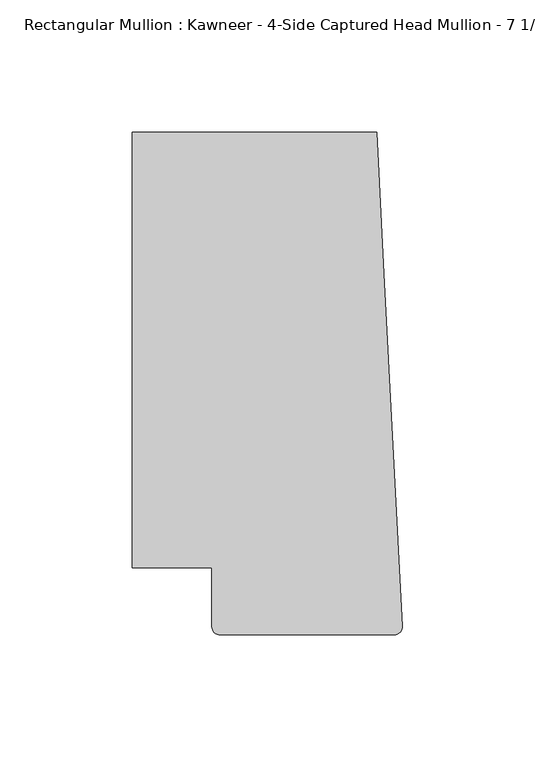
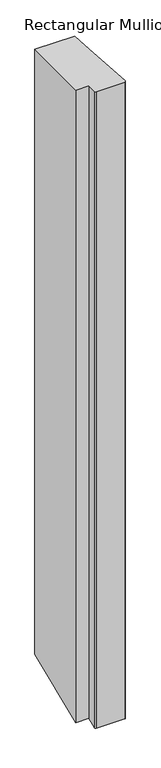
"""IFC4 building model written with IfcOpenShell, lengths in millimetres: member geometry."""

from ifc_helpers import new_model, si_unit, frame, origin, place, context, project, spatial, circle_curve, ellipse_curve, source, transform, mapped, element, save
from ifc_brep_helpers import plane_surface, cylinder_surface, advanced_brep


def member_24bfa3cd(model_context):
    return source(origin(), model_context, "Body", "AdvancedBrep", [
        advanced_brep(
        [(-9.7860662, 151.892, 0.0), (-102.08978, 151.892, 0.0), (-102.08978, -12.7, 0.0), (-71.9739395, -12.7, 0.0), (-71.9739395, -34.9099677, 0.0), (-68.798975, -38.0999944, 0.0), (-3.175, -38.0999944, 0.0), (-0.006635, -34.7198406, 0.0), (-6.9873394, 98.4891117, 0.0), (-9.7860662, 151.892, -1485.0657444), (-102.08978, 151.892, -1485.0657444), (-102.08978, -12.7, -1553.2419831), (-71.9739395, -12.7, -1553.2419831), (-71.9739395, -34.9099677, -1562.4416529), (-68.798975, -38.0999944, -1563.7630052), (-3.175, -38.0999944, -1563.7630052), (-0.0043506, -34.7588403, -1562.3790539), (-6.9873394, 98.4891117, -1507.185945)],
        [
            (0, 1),
            (1, 2),
            (2, 3),
            (3, 4),
            (4, 5, circle_curve(frame((-68.798975, -34.9249944, 0.0), z_axis=(0.0, 0.0, 1.0), x_axis=(-0.9999888001458095, 0.004732819766726053, 0.0)), 3.175)),
            (5, 6),
            (6, 7, circle_curve(frame((-3.175, -34.9249944, 0.0), z_axis=(0.0, 0.0, 1.0), x_axis=(0.0, -1.0, 0.0)), 3.175)),
            (7, 8),
            (8, 0),
            (0, 9),
            (9, 10),
            (10, 1),
            (10, 11),
            (11, 2),
            (11, 12),
            (12, 3),
            (12, 13),
            (13, 4),
            (13, 14, ellipse_curve(frame((-68.798975, -34.9249944, -1562.4478772), z_axis=(0.0, -0.38268343236508784, 0.9238795325112875), x_axis=(0.0, 0.9238795325112876, 0.38268343236508806)), 3.4365952, 3.175)),
            (14, 5),
            (14, 15),
            (15, 6),
            (15, 16, ellipse_curve(frame((-3.175, -34.9249944, -1562.4478772), z_axis=(0.0, -0.38268343236508784, 0.9238795325112875), x_axis=(0.0, 0.9238795325112876, 0.38268343236508806)), 3.4365952, 3.175)),
            (16, 7),
            (16, 17),
            (17, 8),
            (17, 9),
        ],
        [
            plane_surface(frame((0.0, -183.0123025, 0.0), z_axis=(0.0, 0.0, 1.0), x_axis=(-1.0, 0.0, 0.0))),
            plane_surface(frame((-9.7860662, 151.892, 0.0), z_axis=(0.0, 1.0, 0.0), x_axis=(0.0, 0.0, -1.0))),
            plane_surface(frame((-102.08978, 151.892, 0.0), z_axis=(-1.0, 0.0, 0.0), x_axis=(0.0, 0.0, -1.0))),
            plane_surface(frame((-102.08978, -12.7, 0.0), z_axis=(0.0, -1.0, 0.0), x_axis=(0.0, 0.0, -1.0))),
            plane_surface(frame((-71.9739395, -12.7, 0.0), z_axis=(-1.0, 0.0, 0.0), x_axis=(0.0, 0.0, -1.0))),
            cylinder_surface(frame((-68.798975, -34.9249944, 0.0), z_axis=(0.0, 0.0, 1.0), x_axis=(-0.9999888001458095, 0.004732819766726053, 0.0)), 3.175),
            plane_surface(frame((-68.798975, -38.0999944, 0.0), z_axis=(0.0, -1.0, 0.0), x_axis=(0.0, 0.0, -1.0))),
            cylinder_surface(frame((-3.175, -34.9249944, 0.0), z_axis=(0.0, 0.0, 1.0), x_axis=(0.0, -1.0, 0.0)), 3.175),
            plane_surface(frame((-0.0041105, -34.7588278, 0.0), z_axis=(0.9986295346400468, 0.05233595842825238, 0.0), x_axis=(0.0, 0.0, -1.0))),
            plane_surface(frame((-6.9873394, 98.4891117, 0.0), z_axis=(0.9986295347545738, 0.052335956242944896, 0.0), x_axis=(0.0, 0.0, -1.0))),
            plane_surface(frame((-304.8, 0.0, -1547.9814708), z_axis=(0.0, 0.38268343236508784, -0.9238795325112875), x_axis=(0.0, 0.9238795325112875, 0.38268343236508784))),
        ],
        [
            (0, [[1, 2, 3, 4, 5, 6, 7, 8, 9]]),
            (1, [[-1, 10, 11, 12]]),
            (2, [[-2, -12, 13, 14]]),
            (3, [[-3, -14, 15, 16]]),
            (4, [[-4, -16, 17, 18]]),
            (5, [[-5, -18, 19, 20]]),
            (6, [[-6, -20, 21, 22]]),
            (7, [[-7, -22, 23, 24]]),
            (8, [[-8, -24, 25, 26]]),
            (9, [[-9, -26, 27, -10]]),
            (10, [[-27, -25, -23, -21, -19, -17, -15, -13, -11]]),
        ],
    ),
    ])


if __name__ == "__main__":
    model = new_model("IFC4")
    model_context = context("Model", 3, world=origin())
    ifc_project = project(units=[si_unit("LENGTHUNIT", "METRE", prefix="MILLI")], contexts=[model_context])
    site = spatial("IfcSite", under=ifc_project)
    building = spatial("IfcBuilding", under=site)
    placement = place(None, origin())
    member_shape = member_24bfa3cd(model_context)
    element("IfcMember", 1, ObjectType="Rectangular Mullion : Kawneer - 4-Side Captured Head Mullion - 7 1/2\"", at=placement, inside=building, context=model_context, shape_type="MappedRepresentation", body=[
        mapped(member_shape, transform((0.0, 0.0, 0.0), x_axis=(1.0, 0.0, 0.0), y_axis=(0.0, 1.0, 0.0), z_axis=(0.0, 0.0, 1.0))),
    ])
    save(model, "model.ifc")
